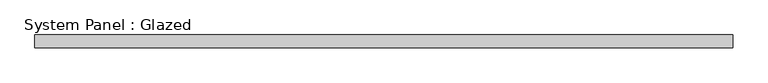
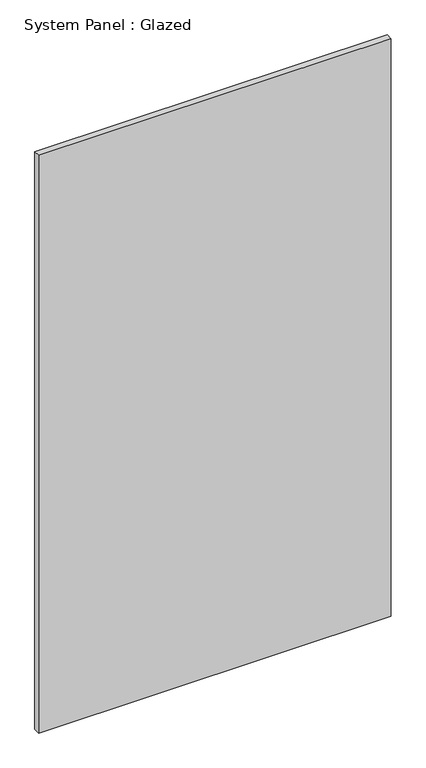
"""IFC4 building model written with IfcOpenShell, lengths in millimetres: plate geometry, System Panel : Glazed."""

from ifc_helpers import new_model, si_unit, origin, origin_with_axes, place, context, project, spatial, polyline, outline, extrude, source, transform, mapped, element, save


def system_panel_glazed_85bd6d64(model_context):
    return source(origin(), model_context, "Body", "SweptSolid", [
        extrude(outline(polyline([(685.8, -44.45), (-685.8, -44.45), (-685.8, -19.05), (685.8, -19.05), (685.8, -44.45)])), origin_with_axes(), (0.0, 0.0, 1.0), 2374.9),
    ])


if __name__ == "__main__":
    model = new_model("IFC4")
    model_context = context("Model", 3, world=origin())
    ifc_project = project(units=[si_unit("LENGTHUNIT", "METRE", prefix="MILLI")], contexts=[model_context])
    site = spatial("IfcSite", under=ifc_project)
    building = spatial("IfcBuilding", under=site)
    placement = place(None, origin())
    system_panel_glazed_shape = system_panel_glazed_85bd6d64(model_context)
    element("IfcPlate", 1, ObjectType="System Panel : Glazed", at=placement, inside=building, context=model_context, shape_type="MappedRepresentation", body=[
        mapped(system_panel_glazed_shape, transform((0.0, 0.0, 0.0), x_axis=(1.0, 0.0, 0.0), y_axis=(0.0, 1.0, 0.0), z_axis=(0.0, 0.0, 1.0))),
    ])
    save(model, "model.ifc")
